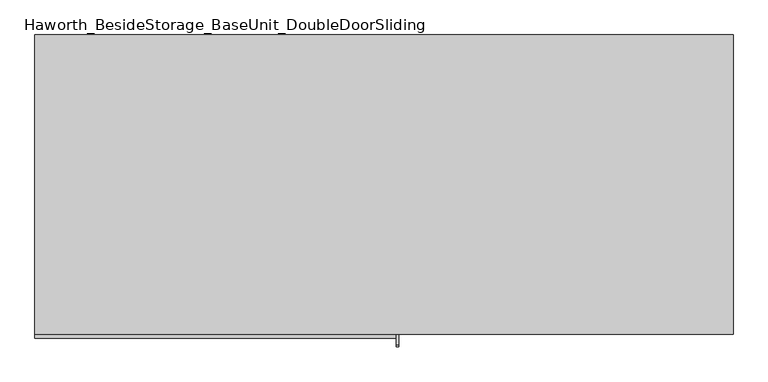
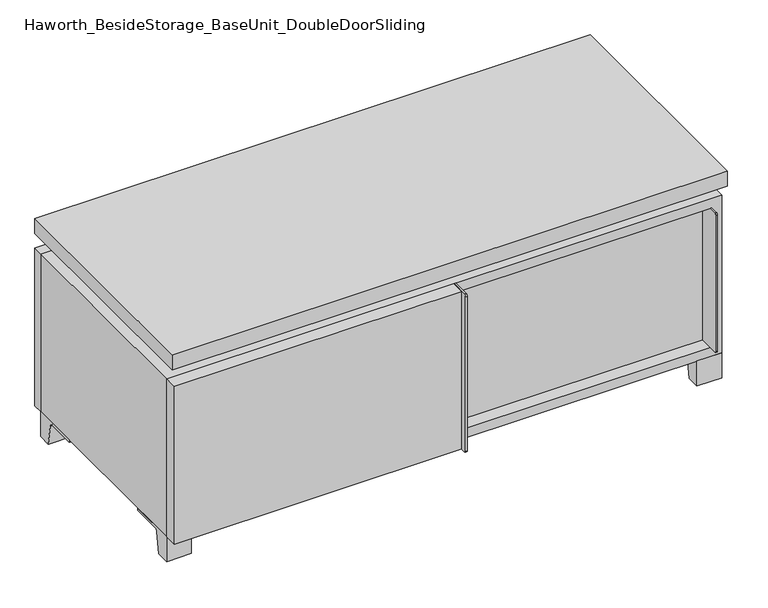
"""IFC4 building model written with IfcOpenShell, lengths in millimetres: furniture geometry, Haworth_BesideStorage_BaseUnit_DoubleDoorSliding."""

from ifc_helpers import new_model, si_unit, point, frame, frame_2d, origin, place, context, project, spatial, polyline, circle_curve, trimmed, segment, composite_curve, outline, extrude, faceted_brep, source, transform, mapped, element, save


def haworth_besidestorage_baseunit_doubledoorsliding_22ec1e7e(model_context):
    return source(origin(), model_context, "Body", "SolidModel", [
        extrude(outline(polyline([(9.5319453, 241.3), (514.3569453, 241.3), (514.3569453, -92.075), (9.5319453, -92.075), (9.5319453, 241.3)])), frame((0.0, 0.0, 201.6125), z_axis=(0.0, 0.0, 1.0), x_axis=(1.0, 0.0, 0.0)), (0.0, 0.0, 1.0), 19.05),
        extrude(outline(polyline([(-9.5041641, 241.3), (-9.5041641, -92.075), (-514.3291641, -92.075), (-514.3291641, 241.3), (-9.5041641, 241.3)])), frame((0.0, 0.0, 201.6125), z_axis=(0.0, 0.0, 1.0), x_axis=(1.0, 0.0, 0.0)), (0.0, 0.0, 1.0), 19.05),
        extrude(outline(composite_curve([segment(polyline([(-95.25, 352.425), (-95.25, 69.85), (-161.925, 69.85)]), True, "CONTINUOUS"), segment(trimmed(circle_curve(frame_2d((-161.925, 73.025)), 3.175), [point((-161.925, 69.85))], [point((-165.1, 73.025))], False, "CARTESIAN"), True, "CONTINUOUS"), segment(polyline([(-165.1, 73.025), (-165.1, 349.25)]), True, "CONTINUOUS"), segment(trimmed(circle_curve(frame_2d((-161.925, 349.25)), 3.175), [point((-165.1, 349.25))], [point((-161.925, 352.425))], False, "CARTESIAN"), True, "CONTINUOUS"), segment(polyline([(-161.925, 352.425), (-95.25, 352.425)]), True, "CONTINUOUS")], self_intersect=False)), frame((511.1819453, 0.0, 0.0), z_axis=(1.0, 0.0, 0.0), x_axis=(0.0, 1.0, 0.0)), (0.0, 0.0, 1.0), 3.175),
        extrude(outline(polyline([(15.8819453, -95.25), (511.1819453, -95.25), (511.1819453, -120.65), (15.8819453, -120.65), (15.8819453, -95.25)])), frame((0.0, 0.0, 69.85), z_axis=(0.0, 0.0, 1.0), x_axis=(1.0, 0.0, 0.0)), (0.0, 0.0, 1.0), 282.575),
        extrude(outline(polyline([(533.4138906, 292.1), (533.4138906, -165.1), (-533.3861094, -165.1), (-533.3861094, 292.1), (533.4138906, 292.1)])), frame((0.0, 0.0, 401.6375), z_axis=(0.0, 0.0, 1.0), x_axis=(1.0, 0.0, 0.0)), (0.0, 0.0, 1.0), 30.1625),
        extrude(outline(composite_curve([segment(polyline([(-146.05, 371.475), (-146.05, 50.8), (-180.975, 50.8)]), True, "CONTINUOUS"), segment(trimmed(circle_curve(frame_2d((-180.975, 53.975)), 3.175), [point((-180.975, 50.8))], [point((-184.15, 53.975))], False, "CARTESIAN"), True, "CONTINUOUS"), segment(polyline([(-184.15, 53.975), (-184.15, 368.3)]), True, "CONTINUOUS"), segment(trimmed(circle_curve(frame_2d((-180.975, 368.3)), 3.175), [point((-184.15, 368.3))], [point((-180.975, 371.475))], False, "CARTESIAN"), True, "CONTINUOUS"), segment(polyline([(-180.975, 371.475), (-146.05, 371.475)]), True, "CONTINUOUS")], self_intersect=False)), frame((19.0638906, 0.0, 0.0), z_axis=(1.0, 0.0, 0.0), x_axis=(0.0, 1.0, 0.0)), (0.0, 0.0, 1.0), 3.175),
        extrude(outline(polyline([(-533.3861094, -146.05), (19.0638906, -146.05), (19.0638906, -171.45), (-533.3861094, -171.45), (-533.3861094, -146.05)])), frame((0.0, 0.0, 50.8), z_axis=(0.0, 0.0, 1.0), x_axis=(1.0, 0.0, 0.0)), (0.0, 0.0, 1.0), 320.675),
        extrude(outline(composite_curve([segment(polyline([(-120.6500136, 0.0), (-146.05, 0.0), (-146.05, 50.8), (-50.8, 50.8), (-50.8, 46.0213321), (-107.6005345, 46.0213321)]), True, "CONTINUOUS"), segment(trimmed(circle_curve(frame_2d((-107.6005345, 39.6713321)), 6.35), [point((-107.6005345, 46.0213321))], [point((-113.8641359, 40.7152656))], True, "CARTESIAN"), True, "CONTINUOUS"), segment(polyline([(-113.8641359, 40.7152656), (-120.6500136, 0.0)]), True, "CONTINUOUS")], self_intersect=False)), frame((485.7888906, 0.0, 0.0), z_axis=(1.0, 0.0, 0.0), x_axis=(0.0, 1.0, 0.0)), (0.0, 0.0, 1.0), 47.625),
        extrude(outline(composite_curve([segment(polyline([(247.6500136, 0.0), (240.8641359, 40.7152656)]), True, "CONTINUOUS"), segment(trimmed(circle_curve(frame_2d((234.6005345, 39.6713321)), 6.35), [point((240.8641359, 40.7152656))], [point((234.6005345, 46.0213321))], True, "CARTESIAN"), True, "CONTINUOUS"), segment(polyline([(234.6005345, 46.0213321), (177.8, 46.0213321), (177.8, 50.8), (273.05, 50.8), (273.05, 0.0), (247.6500136, 0.0)]), True, "CONTINUOUS")], self_intersect=False)), frame((485.7888906, 0.0, 0.0), z_axis=(1.0, 0.0, 0.0), x_axis=(0.0, 1.0, 0.0)), (0.0, 0.0, 1.0), 47.625),
        extrude(outline(composite_curve([segment(polyline([(-120.6500136, 0.0), (-146.05, 0.0), (-146.05, 50.8), (-50.8, 50.8), (-50.8, 46.0213321), (-107.6005345, 46.0213321)]), True, "CONTINUOUS"), segment(trimmed(circle_curve(frame_2d((-107.6005345, 39.6713321)), 6.35), [point((-107.6005345, 46.0213321))], [point((-113.8641359, 40.7152656))], True, "CARTESIAN"), True, "CONTINUOUS"), segment(polyline([(-113.8641359, 40.7152656), (-120.6500136, 0.0)]), True, "CONTINUOUS")], self_intersect=False)), frame((-533.3861094, 0.0, 0.0), z_axis=(1.0, 0.0, 0.0), x_axis=(0.0, 1.0, 0.0)), (0.0, 0.0, 1.0), 47.625),
        extrude(outline(composite_curve([segment(polyline([(247.6500136, 0.0), (240.8641359, 40.7152656)]), True, "CONTINUOUS"), segment(trimmed(circle_curve(frame_2d((234.6005345, 39.6713321)), 6.35), [point((240.8641359, 40.7152656))], [point((234.6005345, 46.0213321))], True, "CARTESIAN"), True, "CONTINUOUS"), segment(polyline([(234.6005345, 46.0213321), (177.8, 46.0213321), (177.8, 50.8), (273.05, 50.8), (273.05, 0.0), (247.6500136, 0.0)]), True, "CONTINUOUS")], self_intersect=False)), frame((-533.3861094, 0.0, 0.0), z_axis=(1.0, 0.0, 0.0), x_axis=(0.0, 1.0, 0.0)), (0.0, 0.0, 1.0), 47.625),
        faceted_brep([(7.9513906, -120.65, 401.6375), (7.9513906, -120.65, 371.475), (7.9513906, 53.975, 371.475), (7.9513906, 53.975, 401.6375), (7.9513906, 247.65, 371.475), (7.9513906, 247.65, 401.6375), (7.9513906, 73.025, 401.6375), (7.9513906, 73.025, 371.475), (-7.9236094, 247.65, 401.6375), (-7.9236094, 247.65, 371.475), (-7.9236094, 73.025, 371.475), (-7.9236094, 73.025, 401.6375), (-7.9236094, -120.65, 371.475), (-7.9236094, -120.65, 401.6375), (-7.9236094, 53.975, 401.6375), (-7.9236094, 53.975, 371.475), (-492.0833281, 73.025, 401.6375), (-492.1041641, 247.65, 401.6375), (-507.9791641, 247.65, 401.6375), (-507.9791641, -120.65, 401.6375), (-492.1041641, -120.65, 401.6375), (-492.1041641, 53.975, 401.6375), (492.1111094, 53.975, 401.6375), (492.1111094, -120.65, 401.6375), (507.9861094, -120.65, 401.6375), (507.9861094, 247.65, 401.6375), (492.1111094, 247.65, 401.6375), (492.1111094, 73.025, 401.6375), (-492.0833281, 53.975, 371.475), (-492.1041641, -120.65, 371.475), (-507.9791641, -120.65, 371.475), (-507.9791641, 247.65, 371.475), (-492.1041641, 247.65, 371.475), (-492.1041641, 73.025, 371.475), (492.1111094, 73.025, 371.475), (492.1111094, 247.65, 371.475), (507.9861094, 247.65, 371.475), (507.9861094, -120.65, 371.475), (492.1111094, -120.65, 371.475), (492.1111094, 53.975, 371.475)], [[[0, 1, 2, 3]], [[4, 5, 6, 7]], [[8, 9, 10, 11]], [[12, 13, 14, 15]], [[5, 8, 11, 16, 17, 18, 19, 20, 21, 14, 13, 0, 3, 22, 23, 24, 25, 26, 27, 6]], [[1, 12, 15, 28, 29, 30, 31, 32, 33, 10, 9, 4, 7, 34, 35, 36, 37, 38, 39, 2]], [[5, 4, 9, 8]], [[1, 0, 13, 12]], [[6, 27, 34, 7]], [[22, 3, 2, 39]], [[20, 29, 28, 21]], [[32, 17, 16, 33]], [[18, 31, 30, 19]], [[29, 20, 19, 30]], [[17, 32, 31, 18]], [[26, 35, 34, 27]], [[38, 23, 22, 39]], [[25, 24, 37, 36]], [[23, 38, 37, 24]], [[35, 26, 25, 36]], [[16, 11, 10, 33]], [[14, 21, 28, 15]]]),
        extrude(outline(polyline([(9.5388906, 241.3), (9.5388906, -95.25), (-9.5111094, -95.25), (-9.5111094, 241.3), (9.5388906, 241.3)])), frame((0.0, 0.0, 69.85), z_axis=(0.0, 0.0, 1.0), x_axis=(1.0, 0.0, 0.0)), (0.0, 0.0, 1.0), 282.575),
        extrude(outline(polyline([(15.8888906, -88.9), (15.8888906, -146.05), (-9.5111094, -146.05), (-9.5111094, -120.65), (3.1888906, -120.65), (3.1888906, -88.9), (15.8888906, -88.9)])), frame((0.0, 0.0, 69.85), z_axis=(0.0, 0.0, 1.0), x_axis=(1.0, 0.0, 0.0)), (0.0, 0.0, 1.0), 282.575),
        extrude(outline(polyline([(533.4138906, 273.05), (-533.3861094, 273.05), (-533.3861094, 292.1), (533.4138906, 292.1), (533.4138906, 273.05)])), frame((0.0, 0.0, 50.8), z_axis=(0.0, 0.0, 1.0), x_axis=(1.0, 0.0, 0.0)), (0.0, 0.0, 1.0), 320.675),
        extrude(outline(polyline([(50.8, -533.3861094), (50.8, 533.4), (371.475, 533.4), (371.475, -533.3861094), (50.8, -533.3861094)]), holes=[polyline([(69.85, -514.3361094), (352.425, -514.3361094), (352.425, 514.3361094), (69.85, 514.3361094), (69.85, -514.3361094)])]), frame((0.0, -146.05, 0.0), z_axis=(0.0, 1.0, 0.0), x_axis=(0.0, 0.0, 1.0)), (0.0, 0.0, 1.0), 419.1),
        extrude(outline(polyline([(-514.3291641, 241.3), (-514.3291641, 247.65), (514.3569453, 247.65), (514.3569453, 241.3), (-514.3291641, 241.3)])), frame((0.0, 0.0, 69.85), z_axis=(0.0, 0.0, 1.0), x_axis=(1.0, 0.0, 0.0)), (0.0, 0.0, 1.0), 282.575),
    ])


if __name__ == "__main__":
    model = new_model("IFC4")
    model_context = context("Model", 3, world=origin())
    ifc_project = project(units=[si_unit("LENGTHUNIT", "METRE", prefix="MILLI")], contexts=[model_context])
    site = spatial("IfcSite", under=ifc_project)
    building = spatial("IfcBuilding", under=site)
    placement = place(None, origin())
    haworth_besidestorage_baseunit_doubledoorsliding_shape = haworth_besidestorage_baseunit_doubledoorsliding_22ec1e7e(model_context)
    element("IfcFurniture", 1, ObjectType="Haworth_BesideStorage_BaseUnit_DoubleDoorSliding", at=placement, inside=building, context=model_context, shape_type="MappedRepresentation", body=[
        mapped(haworth_besidestorage_baseunit_doubledoorsliding_shape, transform((0.0, 0.0, 0.0), x_axis=(1.0, 0.0, 0.0), y_axis=(0.0, 1.0, 0.0), z_axis=(0.0, 0.0, 1.0))),
    ])
    save(model, "model.ifc")
